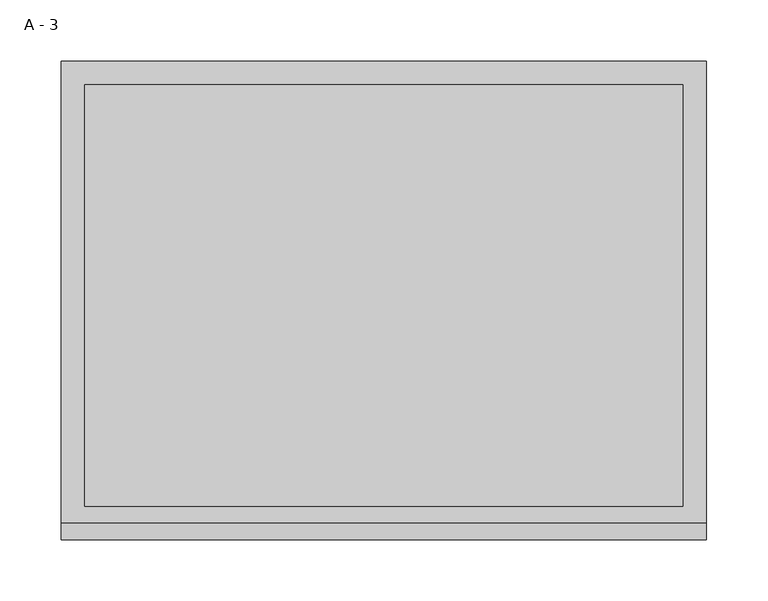
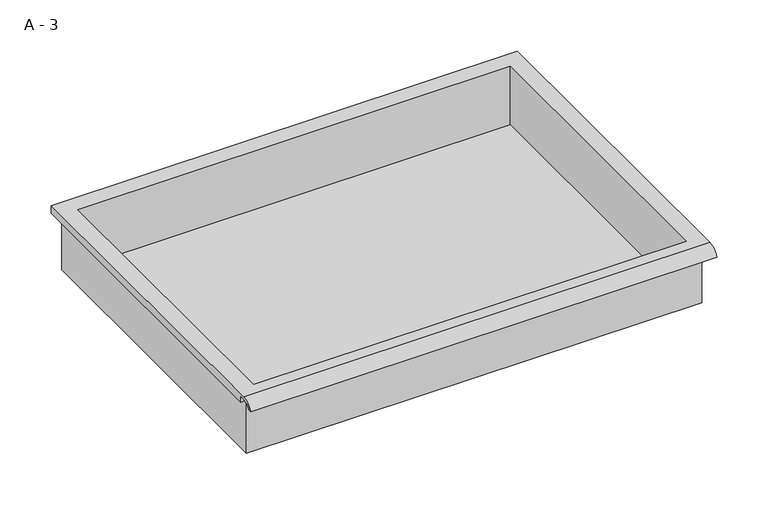
"""IFC4 building model written with IfcOpenShell, lengths in millimetres: furniture geometry, A - 3."""

from ifc_helpers import new_model, si_unit, frame, origin, place, context, project, spatial, polyline, circle_curve, source, transform, mapped, element, save
from ifc_brep_helpers import plane_surface, cylinder_surface, revolved_surface, advanced_brep


def a_3_e725d968(model_context):
    return source(origin(), model_context, "Body", "AdvancedBrep", [
        advanced_brep(
        [(-257.1076517, -176.2125, 941.39512), (257.2423483, -176.2125, 941.39512), (257.2423483, -176.2125, 1004.89512), (263.5923483, -176.2125, 1004.89512), (263.5923483, -176.2125, 1011.2022541), (-263.4576517, -176.2125, 1011.2022541), (-263.4576517, -176.2125, 1004.89512), (-257.1076517, -176.2125, 1004.89512), (257.2423483, 185.7375, 941.39512), (-257.1076517, 185.7375, 941.39512), (-257.1076517, 185.7375, 1004.89512), (257.2423483, 185.7375, 1004.89512), (263.5923483, -181.6070544, 1014.42012), (263.5923483, 195.2625, 1014.42012), (-263.4576517, 195.2625, 1014.42012), (-263.4576517, -181.6070544, 1014.42012), (244.5423483, -168.275, 1014.42012), (-244.4076517, -168.275, 1014.42012), (-244.4076517, 176.2125, 1014.42012), (244.5423483, 176.2125, 1014.42012), (263.5923483, -195.2625, 1004.89512), (263.5923483, -191.8280601, 1004.89512), (263.5923483, -180.4714815, 1011.2022541), (263.5923483, 195.2625, 1004.89512), (-263.4576517, 195.2625, 1004.89512), (-263.4576517, -180.4714815, 1011.2022541), (-263.4576517, -191.8280601, 1004.89512), (-263.4576517, -195.2625, 1004.89512), (-244.4076517, -168.275, 944.4212919), (244.5423483, -168.275, 944.4212919), (244.5423483, 176.2125, 944.4212919), (-244.4076517, 176.2125, 944.4212919)],
        [
            (0, 1),
            (1, 2),
            (2, 3),
            (3, 4),
            (4, 5),
            (5, 6),
            (6, 7),
            (7, 0),
            (8, 9),
            (9, 10),
            (10, 11),
            (11, 8),
            (0, 9),
            (8, 1),
            (11, 2),
            (12, 13),
            (13, 14),
            (14, 15),
            (15, 12),
            (16, 17),
            (17, 18),
            (18, 19),
            (19, 16),
            (7, 10),
            (12, 20, circle_curve(frame((263.5923483, -181.6070544, 999.8691059), z_axis=(1.0, 0.0, 0.0), x_axis=(0.0, 1.0, 0.0)), 14.5510141)),
            (20, 21),
            (21, 22, circle_curve(frame((263.5923483, -181.6070544, 999.8691059), z_axis=(-1.0, 0.0, 0.0), x_axis=(0.0, 1.0, 0.0)), 11.3898979)),
            (22, 4),
            (3, 23),
            (23, 13),
            (14, 24),
            (24, 6),
            (5, 25),
            (25, 26, circle_curve(frame((-263.4576517, -181.6070544, 999.8691059), z_axis=(1.0, 0.0, 0.0), x_axis=(0.0, 1.0, 0.0)), 11.3898979)),
            (26, 27),
            (27, 15, circle_curve(frame((-263.4576517, -181.6070544, 999.8691059), z_axis=(-1.0, 0.0, 0.0), x_axis=(0.0, 1.0, 0.0)), 14.5510141)),
            (27, 20),
            (26, 21),
            (25, 22),
            (24, 23),
            (28, 29),
            (29, 30),
            (30, 31),
            (31, 28),
            (28, 17),
            (16, 29),
            (19, 30),
            (18, 31),
        ],
        [
            plane_surface(frame((257.2423483, -176.2125, 941.39512), z_axis=(0.0, -1.0, 0.0), x_axis=(1.0, 0.0, 0.0))),
            plane_surface(frame((257.2423483, 185.7375, 941.39512), z_axis=(0.0, 1.0, 0.0), x_axis=(-1.0, 0.0, 0.0))),
            plane_surface(frame((-257.1076517, -176.2125, 941.39512), z_axis=(0.0, 0.0, -1.0), x_axis=(0.0, 1.0, 0.0))),
            plane_surface(frame((257.2423483, -176.2125, 941.39512), z_axis=(1.0, 0.0, 0.0), x_axis=(0.0, 1.0, 0.0))),
            plane_surface(frame((257.2423483, -176.2125, 1014.42012), z_axis=(0.0, 0.0, 1.0), x_axis=(0.0, 1.0, 0.0))),
            plane_surface(frame((-257.1076517, -176.2125, 1014.42012), z_axis=(-1.0, 0.0, 0.0), x_axis=(0.0, 1.0, 0.0))),
            plane_surface(frame((263.5923483, 195.2625, 1014.42012), z_axis=(1.0, 0.0, 0.0), x_axis=(0.0, -1.0, 0.0))),
            plane_surface(frame((-263.4576517, 195.2625, 1014.42012), z_axis=(-1.0, 0.0, 0.0), x_axis=(0.0, 1.0, 0.0))),
            cylinder_surface(frame((-263.4576517, -181.6070544, 999.8691059), z_axis=(1.0, 0.0, 0.0), x_axis=(0.0, 1.0, 0.0)), 14.5510141),
            plane_surface(frame((263.5923483, -195.2625, 1004.89512), z_axis=(0.0, -7.409469466668126e-12, -1.0), x_axis=(-1.0, 0.0, 0.0))),
            revolved_surface(polyline([(-263.4576517, -170.21715650000002, 999.8691059), (263.59234829999997, -170.21715650000002, 999.8691059)]), (-263.4576517, -181.6070544, 999.8691059), (-1.0, 0.0, 0.0)),
            plane_surface(frame((263.5923483, -180.4714815, 1011.2022541), z_axis=(0.0, -1.8242792689748372e-11, -1.0), x_axis=(-1.0, 0.0, 0.0))),
            plane_surface(frame((263.5923483, -176.2125, 1004.89512), z_axis=(0.0, 0.0, -1.0), x_axis=(-1.0, 0.0, 0.0))),
            plane_surface(frame((263.5923483, 195.2625, 1004.89512), z_axis=(0.0, 1.0, 0.0), x_axis=(-1.0, 0.0, 0.0))),
            plane_surface(frame((244.5423483, -168.275, 944.4212919), z_axis=(0.0, 0.0, 1.0), x_axis=(-1.0, 0.0, 0.0))),
            plane_surface(frame((-244.4076517, -168.275, 1014.42012), z_axis=(0.0, 1.0, 0.0), x_axis=(0.0, 0.0, -1.0))),
            plane_surface(frame((244.5423483, -168.275, 1014.42012), z_axis=(-1.0, 0.0, 0.0), x_axis=(0.0, 0.0, -1.0))),
            plane_surface(frame((244.5423483, 176.2125, 1014.42012), z_axis=(0.0, -1.0, 0.0), x_axis=(0.0, 0.0, -1.0))),
            plane_surface(frame((-244.4076517, 176.2125, 1014.42012), z_axis=(1.0, 0.0, 0.0), x_axis=(0.0, 0.0, -1.0))),
        ],
        [
            (0, [[1, 2, 3, 4, 5, 6, 7, 8]]),
            (1, [[9, 10, 11, 12]]),
            (2, [[-1, 13, -9, 14]]),
            (3, [[-14, -12, 15, -2]]),
            (4, [[16, 17, 18, 19], [20, 21, 22, 23]]),
            (5, [[-13, -8, 24, -10]]),
            (6, [[-16, 25, 26, 27, 28, -4, 29, 30]]),
            (7, [[31, 32, -6, 33, 34, 35, 36, -18]]),
            (8, [[-25, -19, -36, 37]]),
            (9, [[-26, -37, -35, 38]]),
            (10, [[-27, -38, -34, 39]]),
            (11, [[-28, -39, -33, -5]]),
            (12, [[-29, -3, -15, -11, -24, -7, -32, 40]]),
            (13, [[-30, -40, -31, -17]]),
            (14, [[41, 42, 43, 44]]),
            (15, [[-41, 45, -20, 46]]),
            (16, [[-42, -46, -23, 47]]),
            (17, [[-43, -47, -22, 48]]),
            (18, [[-44, -48, -21, -45]]),
        ],
    ),
    ])


if __name__ == "__main__":
    model = new_model("IFC4")
    model_context = context("Model", 3, world=origin())
    ifc_project = project(units=[si_unit("LENGTHUNIT", "METRE", prefix="MILLI")], contexts=[model_context])
    site = spatial("IfcSite", under=ifc_project)
    building = spatial("IfcBuilding", under=site)
    placement = place(None, origin())
    a_3_shape = a_3_e725d968(model_context)
    element("IfcFurniture", 1, ObjectType="A - 3", at=placement, inside=building, context=model_context, shape_type="MappedRepresentation", body=[
        mapped(a_3_shape, transform((0.0, 0.0, 0.0), x_axis=(1.0, 0.0, 0.0), y_axis=(0.0, 1.0, 0.0), z_axis=(0.0, 0.0, 1.0))),
    ])
    save(model, "model.ifc")
